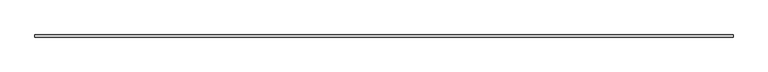
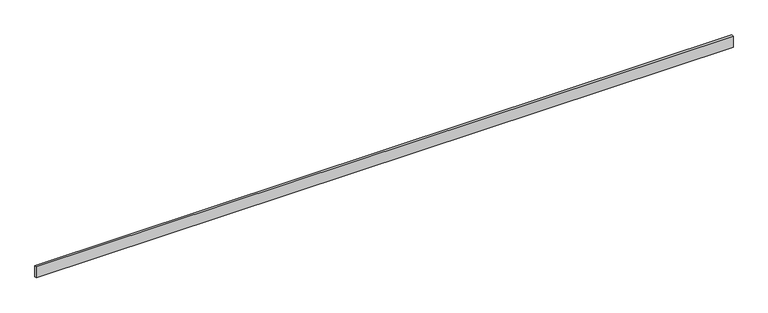
"""IFC4 building model written with IfcOpenShell, lengths in millimetres: beam geometry."""

from ifc_helpers import new_model, si_unit, frame, origin, place, context, project, spatial, polyline, outline, extrude, source, transform, mapped, element, save


def beam_0205a411(model_context):
    return source(origin(), model_context, "Body", "SweptSolid", [
        extrude(outline(polyline([(6000.25, -18.0), (-6000.25, -18.0), (-6000.25, 18.0), (6000.25, 18.0), (6000.25, -18.0)])), frame((0.0, 0.0, -100.0), z_axis=(0.0, 0.0, 1.0), x_axis=(1.0, 0.0, 0.0)), (0.0, 0.0, 1.0), 200.0),
    ])


if __name__ == "__main__":
    model = new_model("IFC4")
    model_context = context("Model", 3, world=origin())
    ifc_project = project(units=[si_unit("LENGTHUNIT", "METRE", prefix="MILLI")], contexts=[model_context])
    site = spatial("IfcSite", under=ifc_project)
    building = spatial("IfcBuilding", under=site)
    placement = place(None, origin())
    beam_shape = beam_0205a411(model_context)
    element("IfcBeam", 1, at=placement, inside=building, context=model_context, shape_type="MappedRepresentation", body=[
        mapped(beam_shape, transform((0.0, 0.0, 0.0), x_axis=(1.0, 0.0, 0.0), y_axis=(0.0, 1.0, 0.0), z_axis=(0.0, 0.0, 1.0))),
    ])
    save(model, "model.ifc")
